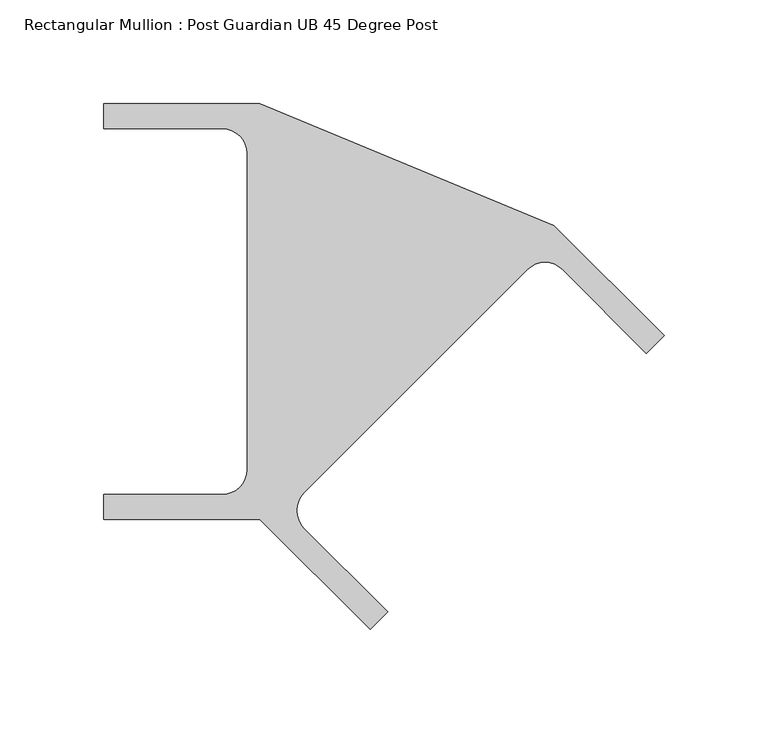
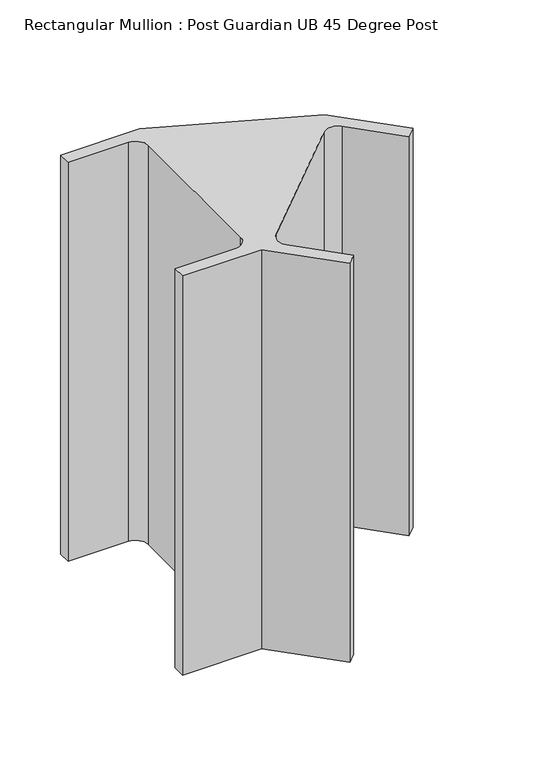
"""IFC4 building model written with IfcOpenShell, lengths in millimetres: member geometry, Rectangular Mullion : Post Guardian UB 45 Degree Post."""

from ifc_helpers import new_model, si_unit, point, frame, frame_2d, origin, place, context, project, spatial, polyline, circle_curve, trimmed, segment, composite_curve, outline, extrude, source, transform, mapped, element, save


def rectangular_mullion_post_guardian_ub_45_degree_post_5db0fafb(model_context):
    return source(origin(), model_context, "Body", "SweptSolid", [
        extrude(outline(composite_curve([segment(polyline([(-200.4543648, -76.000009), (-200.4543648, 76.000009)]), True, "CONTINUOUS"), segment(trimmed(circle_curve(frame_2d((-212.4543559, 76.000009)), 11.999991), [point((-200.4543648, 76.000009))], [point((-212.4543559, 88.0))], True, "CARTESIAN"), True, "CONTINUOUS"), segment(polyline([(-212.4543559, 88.0), (-269.4543648, 88.0), (-269.4543648, 100.0), (-194.4543648, 100.0), (-53.0330086, 41.4213562), (0.0, -11.6116524), (-8.4852814, -20.0969337), (-48.7903742, 20.2081591)]), True, "CONTINUOUS"), segment(trimmed(circle_curve(frame_2d((-57.2756493, 11.7228841)), 11.999991), [point((-48.7903742, 20.2081591))], [point((-65.7609243, 20.2081591))], True, "CARTESIAN"), True, "CONTINUOUS"), segment(polyline([(-65.7609243, 20.2081591), (-173.2411677, -87.2720843)]), True, "CONTINUOUS"), segment(trimmed(circle_curve(frame_2d((-164.7558927, -95.7573593)), 11.999991), [point((-173.2411677, -87.2720843))], [point((-173.2411677, -104.2426343))], True, "CARTESIAN"), True, "CONTINUOUS"), segment(polyline([(-173.2411677, -104.2426343), (-132.9360749, -144.5477272), (-141.4213562, -153.0330086), (-194.4543648, -100.0), (-269.4543648, -100.0), (-269.4543648, -88.0), (-212.4543559, -88.0)]), True, "CONTINUOUS"), segment(trimmed(circle_curve(frame_2d((-212.4543559, -76.000009)), 11.999991), [point((-212.4543559, -88.0))], [point((-200.4543648, -76.000009))], True, "CARTESIAN"), True, "CONTINUOUS")], self_intersect=False)), frame((0.0, 0.0, -400.0), z_axis=(0.0, 0.0, 1.0), x_axis=(1.0, 0.0, 0.0)), (0.0, 0.0, 1.0), 400.0),
    ])


if __name__ == "__main__":
    model = new_model("IFC4")
    model_context = context("Model", 3, world=origin())
    ifc_project = project(units=[si_unit("LENGTHUNIT", "METRE", prefix="MILLI")], contexts=[model_context])
    site = spatial("IfcSite", under=ifc_project)
    building = spatial("IfcBuilding", under=site)
    placement = place(None, origin())
    rectangular_mullion_post_guardian_ub_45_degree_post_shape = rectangular_mullion_post_guardian_ub_45_degree_post_5db0fafb(model_context)
    element("IfcMember", 1, ObjectType="Rectangular Mullion : Post Guardian UB 45 Degree Post", at=placement, inside=building, context=model_context, shape_type="MappedRepresentation", body=[
        mapped(rectangular_mullion_post_guardian_ub_45_degree_post_shape, transform((0.0, 0.0, 0.0), x_axis=(1.0, 0.0, 0.0), y_axis=(0.0, 1.0, 0.0), z_axis=(0.0, 0.0, 1.0))),
    ])
    save(model, "model.ifc")
